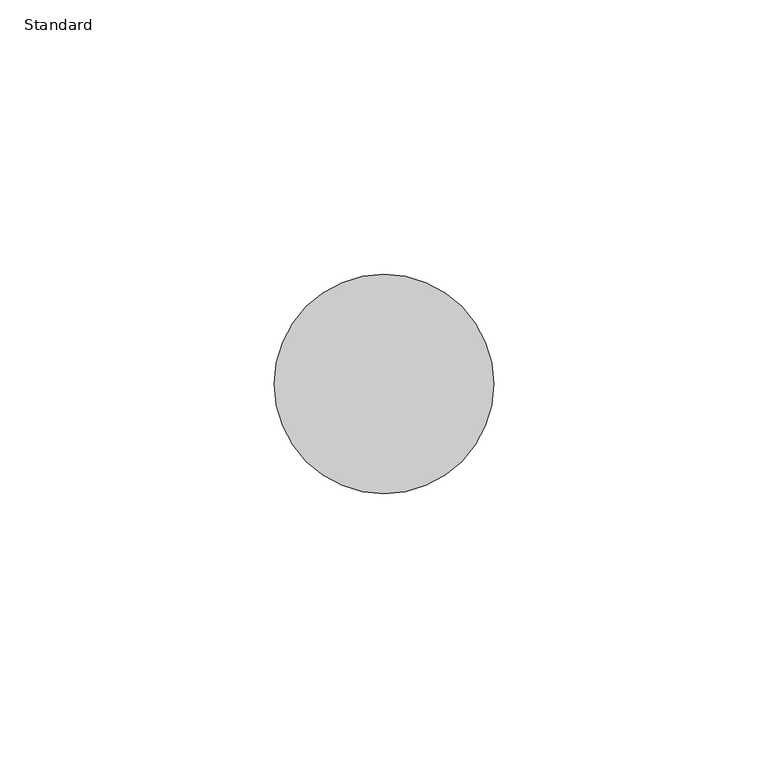
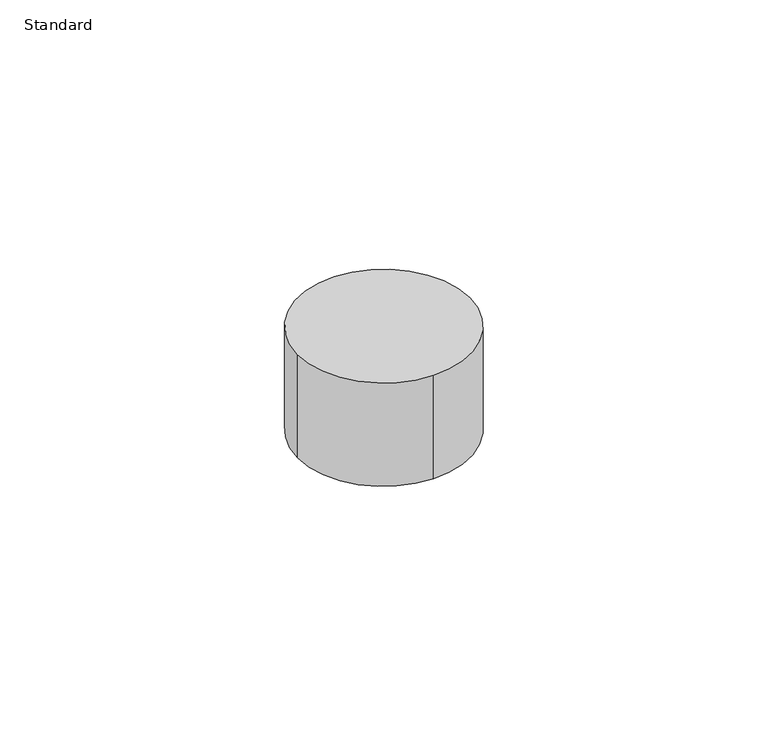
"""IFC4 building model written with IfcOpenShell, lengths in millimetres: geographic element geometry, Standard."""

from ifc_helpers import new_model, si_unit, point, origin, origin_with_axes, origin_2d, place, context, project, spatial, circle_curve, trimmed, segment, composite_curve, outline, extrude, source, transform, mapped, element, save


def standard_d6aff677(model_context):
    return source(origin(), model_context, "Body", "SweptSolid", [
        extrude(outline(composite_curve([segment(trimmed(circle_curve(origin_2d(), 20.0), [point((20.0, 0.0))], [point((0.0, -20.0))], False, "CARTESIAN"), True, "CONTINUOUS"), segment(trimmed(circle_curve(origin_2d(), 20.0), [point((0.0, -20.0))], [point((-20.0, 0.0))], False, "CARTESIAN"), True, "CONTINUOUS"), segment(trimmed(circle_curve(origin_2d(), 20.0), [point((-20.0, 0.0))], [point((0.0, 20.0))], False, "CARTESIAN"), True, "CONTINUOUS"), segment(trimmed(circle_curve(origin_2d(), 20.0), [point((0.0, 20.0))], [point((20.0, 0.0))], False, "CARTESIAN"), True, "CONTINUOUS")], self_intersect=False)), origin_with_axes(), (0.0, 0.0, 1.0), 25.4),
    ])


if __name__ == "__main__":
    model = new_model("IFC4")
    model_context = context("Model", 3, world=origin())
    ifc_project = project(units=[si_unit("LENGTHUNIT", "METRE", prefix="MILLI")], contexts=[model_context])
    site = spatial("IfcSite", under=ifc_project)
    building = spatial("IfcBuilding", under=site)
    placement = place(None, origin())
    standard_shape = standard_d6aff677(model_context)
    element("IfcGeographicElement", 1, ObjectType="Standard", at=placement, inside=building, context=model_context, shape_type="MappedRepresentation", body=[
        mapped(standard_shape, transform((0.0, 0.0, 0.0), x_axis=(1.0, 0.0, 0.0), y_axis=(0.0, 1.0, 0.0), z_axis=(0.0, 0.0, 1.0))),
    ])
    save(model, "model.ifc")
